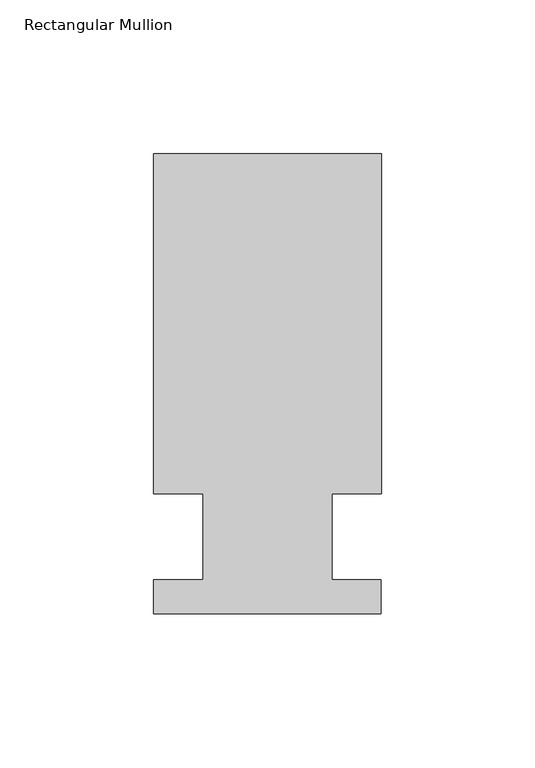
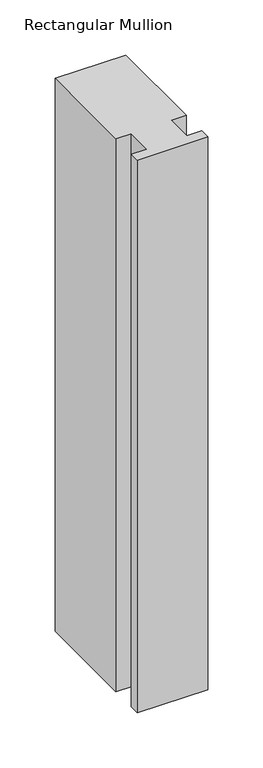
"""IFC4 building model written with IfcOpenShell, lengths in millimetres: member geometry, Rectangular Mullion."""

from ifc_helpers import new_model, si_unit, frame, origin, place, context, project, spatial, polyline, outline, extrude, source, transform, mapped, element, save


def rectangular_mullion_b44aa2c0(model_context):
    return source(origin(), model_context, "Body", "SweptSolid", [
        extrude(outline(polyline([(-20.9800745, 13.9998907), (-37.0, 13.9998907), (-37.0, 124.5), (37.0, 124.5), (37.0, 13.9998907), (20.9800745, 13.9998907), (20.9800745, -14.0), (36.9800745, -14.0), (36.9800745, -25.0), (-37.0, -25.0), (-37.0, -14.0), (-20.9800745, -14.0), (-20.9800745, 13.9998907)])), frame((0.0, 0.0, -613.2487586), z_axis=(0.0, 0.0, 1.0), x_axis=(1.0, 0.0, 0.0)), (0.0, 0.0, 1.0), 613.2487586),
    ])


if __name__ == "__main__":
    model = new_model("IFC4")
    model_context = context("Model", 3, world=origin())
    ifc_project = project(units=[si_unit("LENGTHUNIT", "METRE", prefix="MILLI")], contexts=[model_context])
    site = spatial("IfcSite", under=ifc_project)
    building = spatial("IfcBuilding", under=site)
    placement = place(None, origin())
    rectangular_mullion_shape = rectangular_mullion_b44aa2c0(model_context)
    element("IfcMember", 1, ObjectType="Rectangular Mullion", at=placement, inside=building, context=model_context, shape_type="MappedRepresentation", body=[
        mapped(rectangular_mullion_shape, transform((0.0, 0.0, 0.0), x_axis=(1.0, 0.0, 0.0), y_axis=(0.0, 1.0, 0.0), z_axis=(0.0, 0.0, 1.0))),
    ])
    save(model, "model.ifc")
